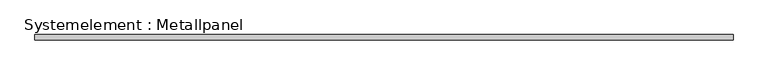
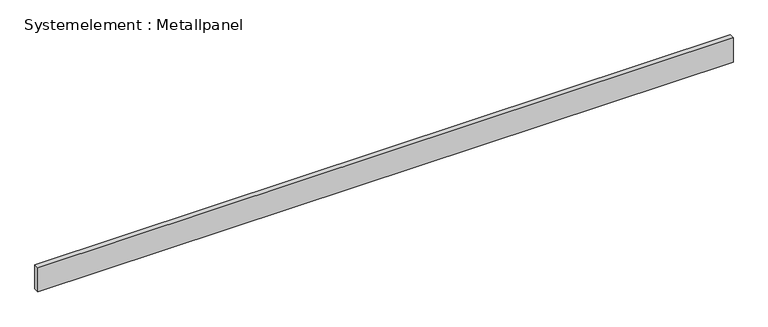
"""IFC4 building model written with IfcOpenShell, lengths in millimetres: plate geometry, Systemelement : Metallpanel."""

from ifc_helpers import new_model, si_unit, origin, origin_with_axes, place, context, project, spatial, polyline, outline, extrude, source, transform, mapped, element, save


def systemelement_metallpanel_b2156d35(model_context):
    return source(origin(), model_context, "Body", "SweptSolid", [
        extrude(outline(polyline([(1977.2916414, -15.0), (-1977.2916414, -15.0), (-1977.2916414, 15.0), (1977.2916414, 15.0), (1977.2916414, -15.0)])), origin_with_axes(), (0.0, 0.0, 1.0), 145.0),
    ])


if __name__ == "__main__":
    model = new_model("IFC4")
    model_context = context("Model", 3, world=origin())
    ifc_project = project(units=[si_unit("LENGTHUNIT", "METRE", prefix="MILLI")], contexts=[model_context])
    site = spatial("IfcSite", under=ifc_project)
    building = spatial("IfcBuilding", under=site)
    placement = place(None, origin())
    systemelement_metallpanel_shape = systemelement_metallpanel_b2156d35(model_context)
    element("IfcPlate", 1, ObjectType="Systemelement : Metallpanel", at=placement, inside=building, context=model_context, shape_type="MappedRepresentation", body=[
        mapped(systemelement_metallpanel_shape, transform((0.0, 0.0, 0.0), x_axis=(1.0, 0.0, 0.0), y_axis=(0.0, 1.0, 0.0), z_axis=(0.0, 0.0, 1.0))),
    ])
    save(model, "model.ifc")
